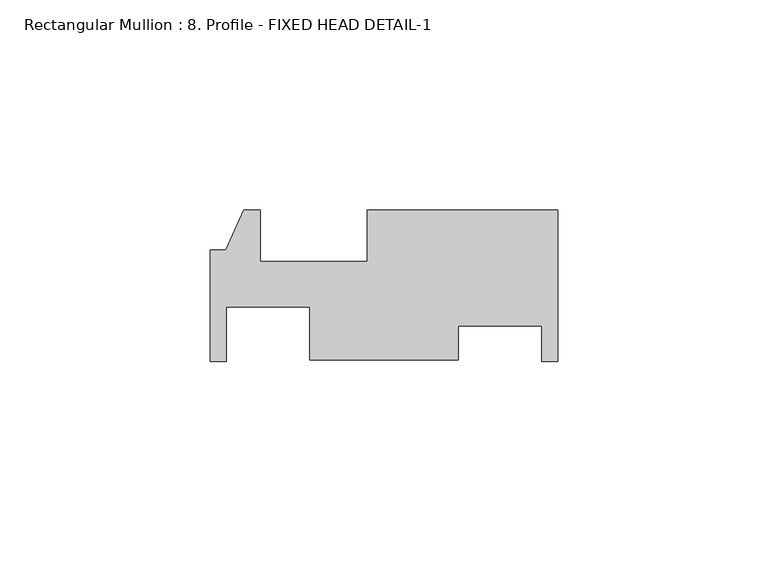
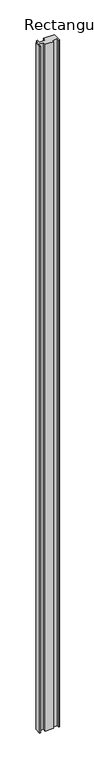
"""IFC4 building model written with IfcOpenShell, lengths in millimetres: member geometry, Rectangular Mullion : 8. Profile - FIXED HEAD DETAIL-1."""

from ifc_helpers import new_model, si_unit, frame, origin, place, context, project, spatial, polyline, outline, extrude, source, transform, mapped, element, save


def rectangular_mullion_8_profile_fixed_head_detail_1_27815fe8(model_context):
    return source(origin(), model_context, "Body", "SweptSolid", [
        extrude(outline(polyline([(0.0, -23.7744), (-3.7338, -23.7744), (-3.7338, -15.2982414), (-23.5712, -15.2982414), (-23.5712, -23.4286985), (-58.9788, -23.4286985), (-58.9788, -10.8033874), (-78.8162, -10.8033874), (-78.8162, -23.7744), (-82.55, -23.7744), (-82.55, 2.6924), (-78.9432, 2.6924), (-74.6252, 12.2174), (-70.7136, 12.2174), (-70.7136, 0.0), (-45.3136, 0.0), (-45.3136, 12.2174), (0.0, 12.2174), (0.0, -23.7744)])), frame((0.0, 0.0, -3048.0), z_axis=(0.0, 0.0, 1.0), x_axis=(1.0, 0.0, 0.0)), (0.0, 0.0, 1.0), 3048.0),
    ])


if __name__ == "__main__":
    model = new_model("IFC4")
    model_context = context("Model", 3, world=origin())
    ifc_project = project(units=[si_unit("LENGTHUNIT", "METRE", prefix="MILLI")], contexts=[model_context])
    site = spatial("IfcSite", under=ifc_project)
    building = spatial("IfcBuilding", under=site)
    placement = place(None, origin())
    rectangular_mullion_8_profile_fixed_head_detail_1_shape = rectangular_mullion_8_profile_fixed_head_detail_1_27815fe8(model_context)
    element("IfcMember", 1, ObjectType="Rectangular Mullion : 8. Profile - FIXED HEAD DETAIL-1", at=placement, inside=building, context=model_context, shape_type="MappedRepresentation", body=[
        mapped(rectangular_mullion_8_profile_fixed_head_detail_1_shape, transform((0.0, 0.0, 0.0), x_axis=(1.0, 0.0, 0.0), y_axis=(0.0, 1.0, 0.0), z_axis=(0.0, 0.0, 1.0))),
    ])
    save(model, "model.ifc")
